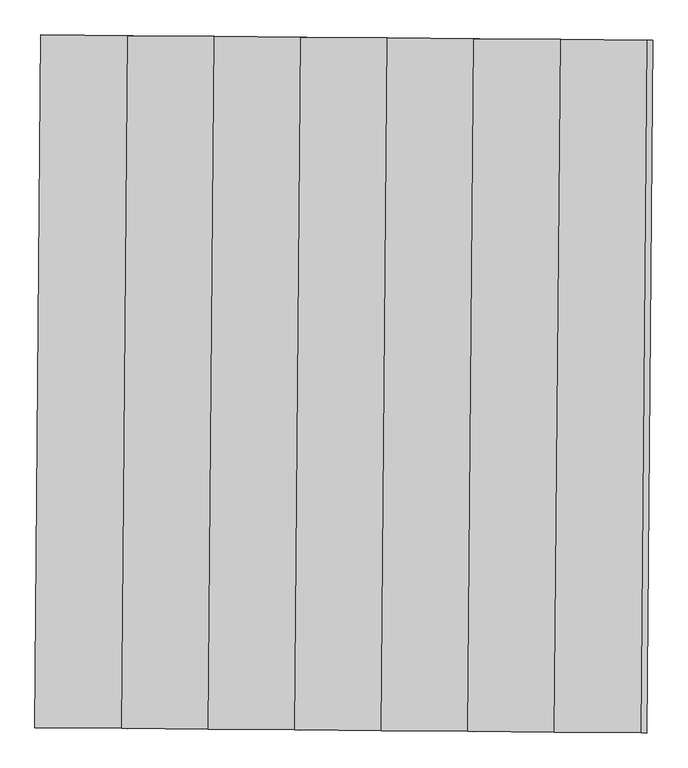
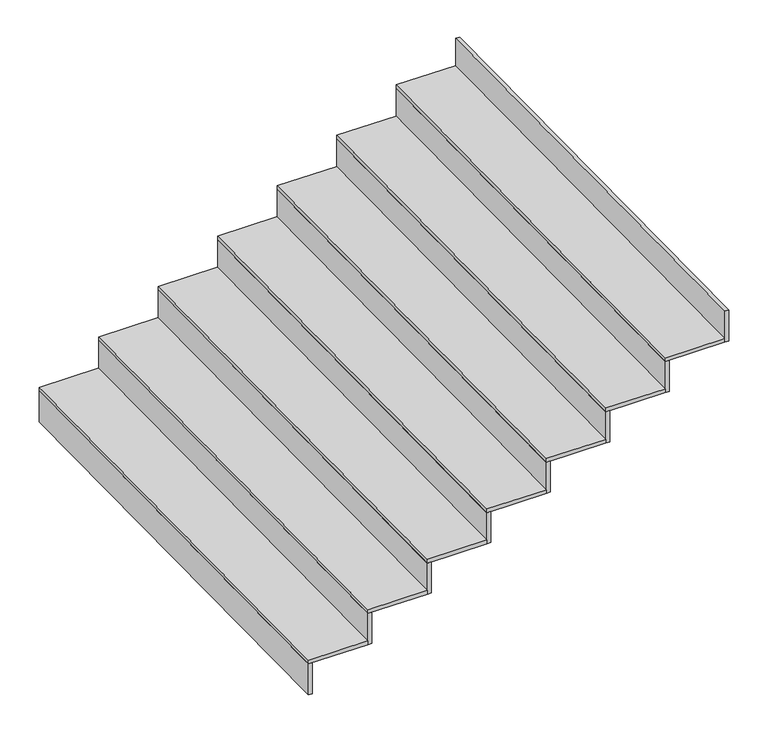
"""IFC4 building model written with IfcOpenShell, lengths in millimetres: stair flight geometry."""

from ifc_helpers import new_model, si_unit, frame, origin, place, context, project, spatial, polyline, outline, extrude, source, transform, mapped, element, save


def stair_flight_fe1f87ab(model_context):
    return source(origin(), model_context, "Body", "SweptSolid", [
        extrude(outline(polyline([(-140491.0521478, 80788.6556078), (-140511.0513863, 80788.8301385), (-140490.1077011, 83188.7387538), (-140470.1084626, 83188.5642231), (-140491.0521478, 80788.6556078)])), frame((0.0, 0.0, -743.1666667), z_axis=(0.0, 0.0, 1.0), x_axis=(1.0, 0.0, 0.0)), (0.0, 0.0, 1.0), 166.6666667),
        extrude(outline(polyline([(-140190.1191241, 83186.1207932), (-140211.0628093, 80786.2121778), (-140511.0513863, 80788.8301385), (-140490.1077011, 83188.7387538), (-140190.1191241, 83186.1207932)])), frame((0.0, 0.0, -576.5), z_axis=(0.0, 0.0, 1.0), x_axis=(1.0, 0.0, 0.0)), (0.0, 0.0, 1.0), 20.0),
        extrude(outline(polyline([(-140191.0635709, 80786.0376471), (-140211.0628093, 80786.2121778), (-140190.1191241, 83186.1207932), (-140170.1198857, 83185.9462625), (-140191.0635709, 80786.0376471)])), frame((0.0, 0.0, -576.5), z_axis=(0.0, 0.0, 1.0), x_axis=(1.0, 0.0, 0.0)), (0.0, 0.0, 1.0), 166.6666667),
        extrude(outline(polyline([(-139890.1305472, 83183.5028325), (-139911.0742324, 80783.5942172), (-140211.0628093, 80786.2121778), (-140190.1191241, 83186.1207932), (-139890.1305472, 83183.5028325)])), frame((0.0, 0.0, -409.8333333), z_axis=(0.0, 0.0, 1.0), x_axis=(1.0, 0.0, 0.0)), (0.0, 0.0, 1.0), 20.0),
        extrude(outline(polyline([(-139891.074994, 80783.4196865), (-139911.0742324, 80783.5942172), (-139890.1305472, 83183.5028325), (-139870.1313088, 83183.3283018), (-139891.074994, 80783.4196865)])), frame((0.0, 0.0, -409.8333333), z_axis=(0.0, 0.0, 1.0), x_axis=(1.0, 0.0, 0.0)), (0.0, 0.0, 1.0), 166.6666667),
        extrude(outline(polyline([(-139590.1419703, 83180.8848719), (-139611.0856555, 80780.9762565), (-139911.0742324, 80783.5942172), (-139890.1305472, 83183.5028325), (-139590.1419703, 83180.8848719)])), frame((0.0, 0.0, -243.1666667), z_axis=(0.0, 0.0, 1.0), x_axis=(1.0, 0.0, 0.0)), (0.0, 0.0, 1.0), 20.0),
        extrude(outline(polyline([(-139591.086417, 80780.8017258), (-139611.0856555, 80780.9762565), (-139590.1419703, 83180.8848719), (-139570.1427318, 83180.7103412), (-139591.086417, 80780.8017258)])), frame((0.0, 0.0, -243.1666667), z_axis=(0.0, 0.0, 1.0), x_axis=(1.0, 0.0, 0.0)), (0.0, 0.0, 1.0), 166.6666667),
        extrude(outline(polyline([(-139290.1533934, 83178.2669112), (-139311.0970786, 80778.3582959), (-139611.0856555, 80780.9762565), (-139590.1419703, 83180.8848719), (-139290.1533934, 83178.2669112)])), frame((0.0, 0.0, -76.5), z_axis=(0.0, 0.0, 1.0), x_axis=(1.0, 0.0, 0.0)), (0.0, 0.0, 1.0), 20.0),
        extrude(outline(polyline([(-139291.0978401, 80778.1837652), (-139311.0970786, 80778.3582959), (-139290.1533934, 83178.2669112), (-139270.1541549, 83178.0923805), (-139291.0978401, 80778.1837652)])), frame((0.0, 0.0, -76.5), z_axis=(0.0, 0.0, 1.0), x_axis=(1.0, 0.0, 0.0)), (0.0, 0.0, 1.0), 166.6666667),
        extrude(outline(polyline([(-138990.1648165, 83175.6489506), (-139011.1085017, 80775.7403352), (-139311.0970786, 80778.3582959), (-139290.1533934, 83178.2669112), (-138990.1648165, 83175.6489506)])), frame((0.0, 0.0, 90.1666667), z_axis=(0.0, 0.0, 1.0), x_axis=(1.0, 0.0, 0.0)), (0.0, 0.0, 1.0), 20.0),
        extrude(outline(polyline([(-138991.1092632, 80775.5658045), (-139011.1085017, 80775.7403352), (-138990.1648165, 83175.6489506), (-138970.165578, 83175.4744199), (-138991.1092632, 80775.5658045)])), frame((0.0, 0.0, 90.1666667), z_axis=(0.0, 0.0, 1.0), x_axis=(1.0, 0.0, 0.0)), (0.0, 0.0, 1.0), 166.6666667),
        extrude(outline(polyline([(-138690.1762395, 83173.0309899), (-138711.1199247, 80773.1223746), (-139011.1085017, 80775.7403352), (-138990.1648165, 83175.6489506), (-138690.1762395, 83173.0309899)])), frame((0.0, 0.0, 256.8333333), z_axis=(0.0, 0.0, 1.0), x_axis=(1.0, 0.0, 0.0)), (0.0, 0.0, 1.0), 20.0),
        extrude(outline(polyline([(-138691.1206863, 80772.9478439), (-138711.1199247, 80773.1223746), (-138690.1762395, 83173.0309899), (-138670.1770011, 83172.8564592), (-138691.1206863, 80772.9478439)])), frame((0.0, 0.0, 256.8333333), z_axis=(0.0, 0.0, 1.0), x_axis=(1.0, 0.0, 0.0)), (0.0, 0.0, 1.0), 166.6666667),
        extrude(outline(polyline([(-138391.1321094, 80770.3298832), (-138411.1313478, 80770.5044139), (-138390.1876626, 83170.4130293), (-138370.1884242, 83170.2384986), (-138391.1321094, 80770.3298832)])), frame((0.0, 0.0, 423.5), z_axis=(0.0, 0.0, 1.0), x_axis=(1.0, 0.0, 0.0)), (0.0, 0.0, 1.0), 166.6666667),
        extrude(outline(polyline([(-138390.1876626, 83170.4130293), (-138411.1313478, 80770.5044139), (-138711.1199247, 80773.1223746), (-138690.1762395, 83173.0309899), (-138390.1876626, 83170.4130293)])), frame((0.0, 0.0, 423.5), z_axis=(0.0, 0.0, 1.0), x_axis=(1.0, 0.0, 0.0)), (0.0, 0.0, 1.0), 20.0),
    ])


if __name__ == "__main__":
    model = new_model("IFC4")
    model_context = context("Model", 3, world=origin())
    ifc_project = project(units=[si_unit("LENGTHUNIT", "METRE", prefix="MILLI")], contexts=[model_context])
    site = spatial("IfcSite", under=ifc_project)
    building = spatial("IfcBuilding", under=site)
    placement = place(None, origin())
    stair_flight_shape = stair_flight_fe1f87ab(model_context)
    element("IfcStairFlight", 1, at=placement, inside=building, context=model_context, shape_type="MappedRepresentation", body=[
        mapped(stair_flight_shape, transform((0.0, 0.0, 0.0), x_axis=(1.0, 0.0, 0.0), y_axis=(0.0, 1.0, 0.0), z_axis=(0.0, 0.0, 1.0))),
    ])
    save(model, "model.ifc")
